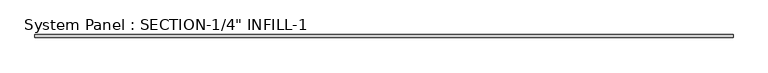
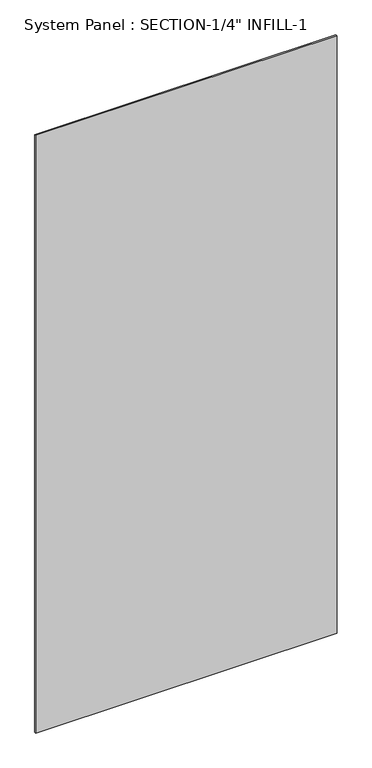
"""IFC4 building model written with IfcOpenShell, lengths in millimetres: plate geometry."""

from ifc_helpers import new_model, si_unit, origin, origin_with_axes, place, context, project, spatial, polyline, outline, extrude, source, transform, mapped, element, save


def plate_bbaf65bd(model_context):
    return source(origin(), model_context, "Body", "SweptSolid", [
        extrude(outline(polyline([(727.075, -6.35), (-727.075, -6.35), (-727.075, 0.0), (727.075, 0.0), (727.075, -6.35)])), origin_with_axes(), (0.0, 0.0, 1.0), 3048.0),
    ])


if __name__ == "__main__":
    model = new_model("IFC4")
    model_context = context("Model", 3, world=origin())
    ifc_project = project(units=[si_unit("LENGTHUNIT", "METRE", prefix="MILLI")], contexts=[model_context])
    site = spatial("IfcSite", under=ifc_project)
    building = spatial("IfcBuilding", under=site)
    placement = place(None, origin())
    plate_shape = plate_bbaf65bd(model_context)
    element("IfcPlate", 1, ObjectType="System Panel : SECTION-1/4\" INFILL-1", at=placement, inside=building, context=model_context, shape_type="MappedRepresentation", body=[
        mapped(plate_shape, transform((0.0, 0.0, 0.0), x_axis=(1.0, 0.0, 0.0), y_axis=(0.0, 1.0, 0.0), z_axis=(0.0, 0.0, 1.0))),
    ])
    save(model, "model.ifc")
